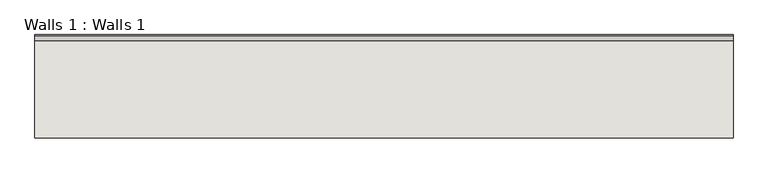
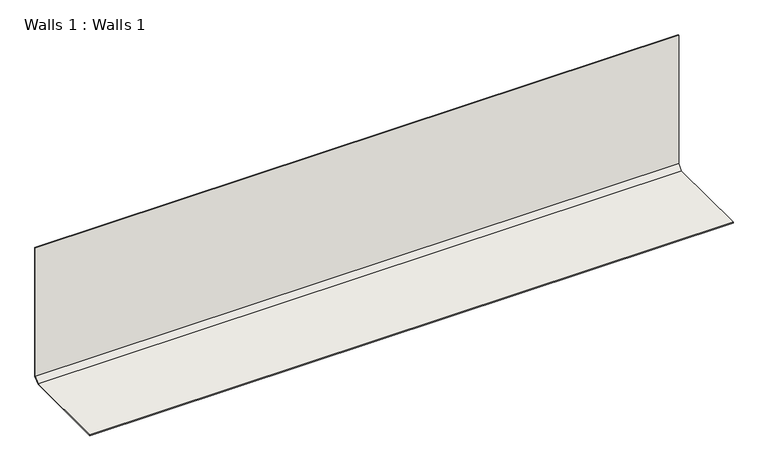
"""IFC4 building model written with IfcOpenShell, lengths in millimetres: wall geometry, Walls 1 : Walls 1."""

from ifc_helpers import new_model, si_unit, frame, origin, place, context, project, spatial, polyline, outline, extrude, source, transform, mapped, element, save


def walls_1_walls_1_13b6387e(model_context):
    return source(origin(), model_context, "Body", "SweptSolid", [
        extrude(outline(polyline([(2372.4978565, 3.1732159), (2389.6897686, 20.3651281), (2389.6897686, 502.7360524), (2392.8647686, 502.7360524), (2392.8647686, 19.05), (2373.8147686, 0.0), (2054.3862244, 0.0), (2054.3862244, 3.1732159), (2372.4978565, 3.1732159)])), frame((75.4987811, 0.0, 0.0), z_axis=(1.0, 0.0, 0.0), x_axis=(0.0, 1.0, 0.0)), (0.0, 0.0, 1.0), 2286.0),
    ])


if __name__ == "__main__":
    model = new_model("IFC4")
    model_context = context("Model", 3, world=origin())
    ifc_project = project(units=[si_unit("LENGTHUNIT", "METRE", prefix="MILLI")], contexts=[model_context])
    site = spatial("IfcSite", under=ifc_project)
    building = spatial("IfcBuilding", under=site)
    placement = place(None, origin())
    walls_1_walls_1_shape = walls_1_walls_1_13b6387e(model_context)
    element("IfcWall", 1, ObjectType="Walls 1 : Walls 1", at=placement, inside=building, context=model_context, shape_type="MappedRepresentation", body=[
        mapped(walls_1_walls_1_shape, transform((0.0, 0.0, 0.0), x_axis=(1.0, 0.0, 0.0), y_axis=(0.0, 1.0, 0.0), z_axis=(0.0, 0.0, 1.0))),
    ])
    save(model, "model.ifc")
